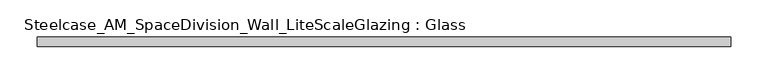
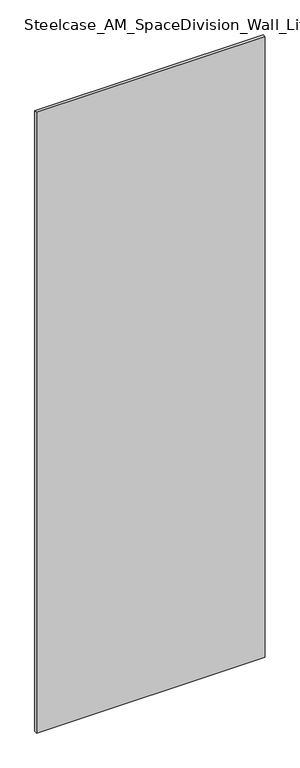
"""IFC4 building model written with IfcOpenShell, lengths in millimetres: plate geometry, Steelcase_AM_SpaceDivision_Wall_LiteScaleGlazing : Glass."""

import ifcopenshell
import ifcopenshell.guid

model = None  # the IFC model being written
_history = None  # IfcOwnerHistory: only IFC2X3 demands one
_inside = {}  # id of a spatial element -> (the spatial element, [elements in it])
_under = {}  # id of a project, library or spatial element -> (it, [spatial elements below it])
_declared = {}  # id of a project -> (the project, [libraries it declares])
_typed = {}  # id of a type object -> (the type object, [elements of that type])
_made_of = {}  # id of a material, layer set ... -> (it, [elements and type objects made of it])


def new_model(schema):
    """Start an empty IFC model of exactly this schema.

    Asked for "IFC4X3", IfcOpenShell would pick the latest addendum, in which some entities
    have other attributes; the version numbers below select the first issue.
    IFC2X3 requires an IfcOwnerHistory on every rooted entity: one is made here for all.
    """
    global model, _history
    if schema == "IFC4X3":
        model = ifcopenshell.file(schema_version=(4, 3, 0, 0))
    else:
        model = ifcopenshell.file(schema=schema)
    _inside.clear()
    _under.clear()
    _declared.clear()
    _typed.clear()
    _made_of.clear()
    _history = None
    if model.schema == "IFC2X3":
        org = make("IfcOrganization", Name="unknown")
        user = make(
            "IfcPersonAndOrganization",
            ThePerson=make("IfcPerson", FamilyName="unknown"),
            TheOrganization=org,
        )
        app = make(
            "IfcApplication",
            ApplicationDeveloper=org,
            Version="unknown",
            ApplicationFullName="unknown",
            ApplicationIdentifier="unknown",
        )
        _history = make(
            "IfcOwnerHistory",
            OwningUser=user,
            OwningApplication=app,
            ChangeAction="ADDED",
            CreationDate=0,
        )
    return model


def make(cls, **values):
    """One entity of the class cls with the attributes given. An attribute that is None is left unset."""
    return model.create_entity(
        cls, **{name: value for name, value in values.items() if value is not None}
    )


def rooted(cls, **values):
    """An entity with a GlobalId (a new one), such as an element, a storey or a relation."""
    return make(cls, GlobalId=ifcopenshell.guid.new(), OwnerHistory=_history, **values)


def si_unit(unit_type, name, prefix=None):
    """IfcSIUnit, for example si_unit("LENGTHUNIT", "METRE", prefix="MILLI")."""
    return make("IfcSIUnit", UnitType=unit_type, Prefix=prefix, Name=name)


def assignment(units):
    """IfcUnitAssignment: the units of a project."""
    return None if units is None else make("IfcUnitAssignment", Units=units)


def point(xyz):
    """IfcCartesianPoint."""
    return None if xyz is None else make("IfcCartesianPoint", Coordinates=xyz)


def direction(xyz):
    """IfcDirection."""
    return None if xyz is None else make("IfcDirection", DirectionRatios=xyz)


def frame(location, z_axis=None, x_axis=None):
    """IfcAxis2Placement3D, a coordinate frame: its origin and axes. An axis left out is left unset."""
    return make(
        "IfcAxis2Placement3D",
        Location=point(location),
        Axis=direction(z_axis),
        RefDirection=direction(x_axis),
    )


def origin():
    """The frame at (0, 0, 0) with its axes left unset."""
    return frame((0.0, 0.0, 0.0))


def origin_with_axes():
    """The frame at (0, 0, 0) with the z axis (0, 0, 1) and the x axis (1, 0, 0) written out."""
    return frame((0.0, 0.0, 0.0), z_axis=(0.0, 0.0, 1.0), x_axis=(1.0, 0.0, 0.0))


def place(relative_to, where):
    """IfcLocalPlacement: puts the frame where relative to a parent placement (None: the world)."""
    return make(
        "IfcLocalPlacement", PlacementRelTo=relative_to, RelativePlacement=where
    )


def context(
    kind, dimensions, precision=None, world=None, true_north=None, identifier=None
):
    """IfcGeometricRepresentationContext, for example the 3D "Model" context."""
    return make(
        "IfcGeometricRepresentationContext",
        ContextIdentifier=identifier,
        ContextType=kind,
        CoordinateSpaceDimension=dimensions,
        Precision=precision,
        WorldCoordinateSystem=world,
        TrueNorth=true_north,
    )


def project(units=None, contexts=None):
    """IfcProject with its units and contexts."""
    return rooted(
        "IfcProject",
        Name="project",
        RepresentationContexts=contexts,
        UnitsInContext=assignment(units),
    )


def spatial(cls, under=None, at=None, **own):
    """A site, building, storey or space (cls), placed at a placement, below another one or the project."""
    s = rooted(cls, ObjectPlacement=at, **own)
    if under is not None:
        _under.setdefault(under.id(), (under, []))[1].append(s)
    return s


def polyline(points):
    """IfcPolyline through the points."""
    return make("IfcPolyline", Points=[point(p) for p in points])


def outline(outer, holes=None, kind="AREA"):
    """IfcArbitraryClosedProfileDef: a profile drawn as a closed curve; with holes, ...WithVoids."""
    if holes is None:
        return make("IfcArbitraryClosedProfileDef", ProfileType=kind, OuterCurve=outer)
    return make(
        "IfcArbitraryProfileDefWithVoids",
        ProfileType=kind,
        OuterCurve=outer,
        InnerCurves=holes,
    )


def extrude(swept, where, along, depth):
    """IfcExtrudedAreaSolid: the profile swept, set in the frame where, extruded along a direction by depth."""
    return make(
        "IfcExtrudedAreaSolid",
        SweptArea=swept,
        Position=where,
        ExtrudedDirection=direction(along),
        Depth=depth,
    )


def shape(context_of_items, identifier, shape_type, items):
    """IfcShapeRepresentation: the items that make up one representation, for example the "Body"."""
    return make(
        "IfcShapeRepresentation",
        ContextOfItems=context_of_items,
        RepresentationIdentifier=identifier,
        RepresentationType=shape_type,
        Items=items,
    )


def source(mapping_origin, context_of_items, identifier, shape_type, items):
    """IfcRepresentationMap: a shape defined once, which mapped items show again and again."""
    return make(
        "IfcRepresentationMap",
        MappingOrigin=mapping_origin,
        MappedRepresentation=shape(context_of_items, identifier, shape_type, items),
    )


def transform(
    local_origin,
    x_axis=None,
    y_axis=None,
    z_axis=None,
    scale=None,
    scale2=None,
    scale3=None,
    uniform=True,
):
    """IfcCartesianTransformationOperator3D, or its non-uniform kind. x_axis, y_axis, z_axis: its Axis1, 2, 3."""
    if uniform:
        return make(
            "IfcCartesianTransformationOperator3D",
            Axis1=direction(x_axis),
            Axis2=direction(y_axis),
            LocalOrigin=point(local_origin),
            Scale=scale,
            Axis3=direction(z_axis),
        )
    return make(
        "IfcCartesianTransformationOperator3DnonUniform",
        Axis1=direction(x_axis),
        Axis2=direction(y_axis),
        LocalOrigin=point(local_origin),
        Scale=scale,
        Axis3=direction(z_axis),
        Scale2=scale2,
        Scale3=scale3,
    )


def mapped(mapping_source, mapping_target):
    """IfcMappedItem: shows the shape of a source again, moved by a transform."""
    return make(
        "IfcMappedItem", MappingSource=mapping_source, MappingTarget=mapping_target
    )


def made_of(thing, what):
    """Note that an element or type object is made of a material, layer set ...; save() writes the relation."""
    if what is not None:
        _made_of.setdefault(what.id(), (what, []))[1].append(thing)
    return thing


def element(
    cls,
    number,
    at=None,
    inside=None,
    cuts=None,
    type_object=None,
    material=None,
    context=None,
    identifier="Body",
    shape_type=None,
    held_by="IfcProductDefinitionShape",
    body=None,
    shapes=None,
    **own,
):
    """One element of the class cls, such as IfcWall. Its Tag is "e" and its number.

    at: its placement. inside: the storey or other place that contains it. cuts: it is an
    opening in that element (IfcRelVoidsElement). A single representation is given by context,
    identifier, shape_type and body (its items); several are given by shapes. held_by: the class
    of the entity that holds the representations. save() writes the other relations.
    """
    e = rooted(cls, Tag="e%d" % number, ObjectPlacement=at, **own)
    if body is not None:
        shapes = [shape(context, identifier, shape_type, body)]
    if shapes is not None:
        e.Representation = make(held_by, Representations=shapes)
    if inside is not None:
        _inside.setdefault(inside.id(), (inside, []))[1].append(e)
    if cuts is not None:
        rooted(
            "IfcRelVoidsElement", RelatingBuildingElement=cuts, RelatedOpeningElement=e
        )
    if type_object is not None:
        _typed.setdefault(type_object.id(), (type_object, []))[1].append(e)
    return made_of(e, material)


def aggregate(whole, parts):
    """IfcRelAggregates: a whole, such as a stair, and the parts it consists of."""
    return rooted("IfcRelAggregates", RelatingObject=whole, RelatedObjects=parts)


def save(model, path):
    """Write the relations noted so far, then the file.

    IfcRelAggregates (storeys below a building ...), IfcRelContainedInSpatialStructure (elements
    in a storey), IfcRelDefinesByType, IfcRelAssociatesMaterial and IfcRelDeclares: one each for
    every whole, place, type object, material and project.
    """
    for whole, parts in _under.values():
        aggregate(whole, parts)
    for where, things in _inside.values():
        rooted(
            "IfcRelContainedInSpatialStructure",
            RelatedElements=things,
            RelatingStructure=where,
        )
    for kind, things in _typed.values():
        rooted("IfcRelDefinesByType", RelatedObjects=things, RelatingType=kind)
    for what, things in _made_of.values():
        rooted("IfcRelAssociatesMaterial", RelatedObjects=things, RelatingMaterial=what)
    for by, libraries in _declared.values():
        rooted("IfcRelDeclares", RelatingContext=by, RelatedDefinitions=libraries)
    model.write(path)


def steelcase_am_spacedivision_wall_litescaleglazing_glass_f0dc4546(model_context):
    return source(origin(), model_context, "Body", "SweptSolid", [
        extrude(outline(polyline([(-464.693, -6.349956), (-464.693, 6.3502015), (464.693, 6.3502015), (464.693, -6.349956), (-464.693, -6.349956)])), origin_with_axes(), (0.0, 0.0, 1.0), 2665.984),
    ])


if __name__ == "__main__":
    model = new_model("IFC4")
    model_context = context("Model", 3, world=origin())
    ifc_project = project(units=[si_unit("LENGTHUNIT", "METRE", prefix="MILLI")], contexts=[model_context])
    site = spatial("IfcSite", under=ifc_project)
    building = spatial("IfcBuilding", under=site)
    placement = place(None, origin())
    steelcase_am_spacedivision_wall_litescaleglazing_glass_shape = steelcase_am_spacedivision_wall_litescaleglazing_glass_f0dc4546(model_context)
    element("IfcPlate", 1, ObjectType="Steelcase_AM_SpaceDivision_Wall_LiteScaleGlazing : Glass", at=placement, inside=building, context=model_context, shape_type="MappedRepresentation", body=[
        mapped(steelcase_am_spacedivision_wall_litescaleglazing_glass_shape, transform((0.0, 0.0, 0.0), x_axis=(1.0, 0.0, 0.0), y_axis=(0.0, 1.0, 0.0), z_axis=(0.0, 0.0, 1.0))),
    ])
    save(model, "model.ifc")
